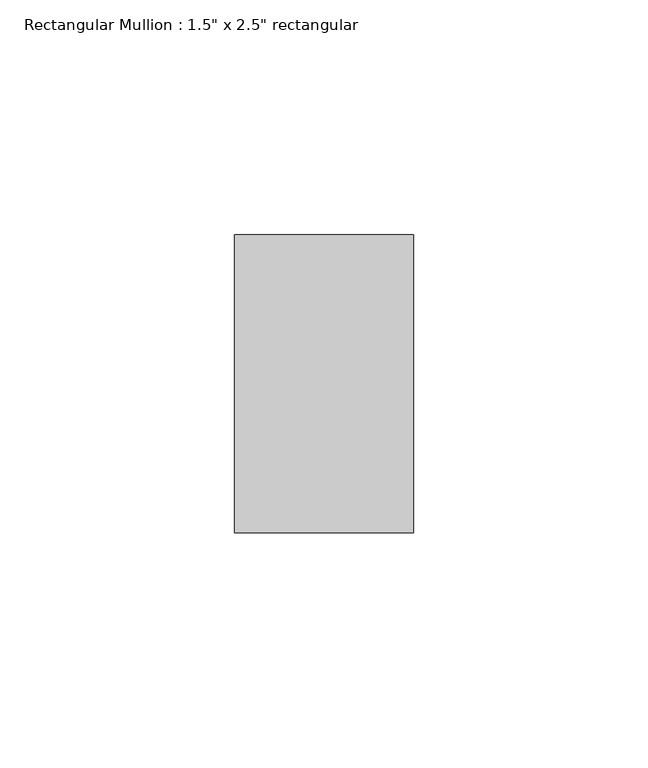
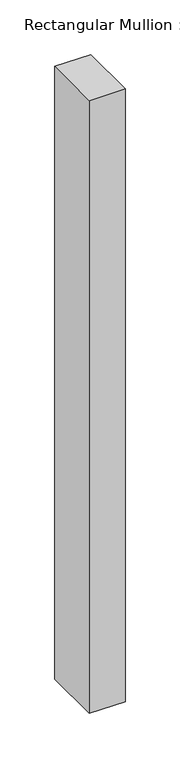
"""IFC4 building model written with IfcOpenShell, lengths in millimetres: member geometry."""

from ifc_helpers import new_model, si_unit, frame, origin, place, context, project, spatial, polyline, outline, extrude, source, transform, mapped, element, save


def member_99569e28(model_context):
    return source(origin(), model_context, "Body", "SweptSolid", [
        extrude(outline(polyline([(0.0, 31.75), (0.0, -31.75), (-38.1, -31.75), (-38.1, 31.75), (0.0, 31.75)])), frame((0.0, 0.0, -685.8), z_axis=(0.0, 0.0, 1.0), x_axis=(1.0, 0.0, 0.0)), (0.0, 0.0, 1.0), 685.8),
    ])


if __name__ == "__main__":
    model = new_model("IFC4")
    model_context = context("Model", 3, world=origin())
    ifc_project = project(units=[si_unit("LENGTHUNIT", "METRE", prefix="MILLI")], contexts=[model_context])
    site = spatial("IfcSite", under=ifc_project)
    building = spatial("IfcBuilding", under=site)
    placement = place(None, origin())
    member_shape = member_99569e28(model_context)
    element("IfcMember", 1, ObjectType="Rectangular Mullion : 1.5\" x 2.5\" rectangular", at=placement, inside=building, context=model_context, shape_type="MappedRepresentation", body=[
        mapped(member_shape, transform((0.0, 0.0, 0.0), x_axis=(1.0, 0.0, 0.0), y_axis=(0.0, 1.0, 0.0), z_axis=(0.0, 0.0, 1.0))),
    ])
    save(model, "model.ifc")
